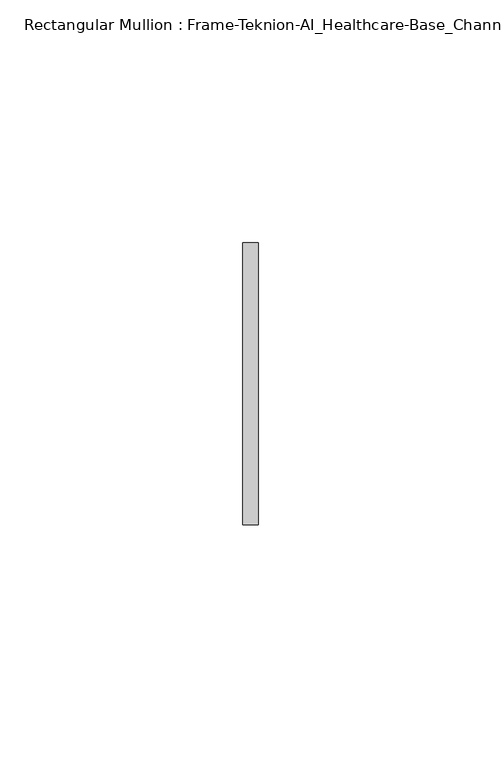
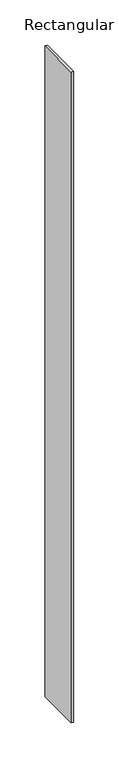
"""IFC4 building model written with IfcOpenShell, lengths in millimetres: member geometry, Rectangular Mullion : Frame-Teknion-AI_Healthcare-Base_Channel."""

from ifc_helpers import new_model, si_unit, frame, origin, place, context, project, spatial, polyline, outline, extrude, source, transform, mapped, element, save


def rectangular_mullion_frame_teknion_ai_healthcare_base_channel_e6ca0f41(model_context):
    return source(origin(), model_context, "Body", "SweptSolid", [
        extrude(outline(polyline([(0.0, 29.0214844), (0.0, -29.0214844), (-3.175, -29.0214844), (-3.175, 29.0214844), (0.0, 29.0214844)])), frame((0.0, 0.0, -879.3750229), z_axis=(0.0, 0.0, 1.0), x_axis=(1.0, 0.0, 0.0)), (0.0, 0.0, 1.0), 879.3750229),
    ])


if __name__ == "__main__":
    model = new_model("IFC4")
    model_context = context("Model", 3, world=origin())
    ifc_project = project(units=[si_unit("LENGTHUNIT", "METRE", prefix="MILLI")], contexts=[model_context])
    site = spatial("IfcSite", under=ifc_project)
    building = spatial("IfcBuilding", under=site)
    placement = place(None, origin())
    rectangular_mullion_frame_teknion_ai_healthcare_base_channel_shape = rectangular_mullion_frame_teknion_ai_healthcare_base_channel_e6ca0f41(model_context)
    element("IfcMember", 1, ObjectType="Rectangular Mullion : Frame-Teknion-AI_Healthcare-Base_Channel", at=placement, inside=building, context=model_context, shape_type="MappedRepresentation", body=[
        mapped(rectangular_mullion_frame_teknion_ai_healthcare_base_channel_shape, transform((0.0, 0.0, 0.0), x_axis=(1.0, 0.0, 0.0), y_axis=(0.0, 1.0, 0.0), z_axis=(0.0, 0.0, 1.0))),
    ])
    save(model, "model.ifc")
